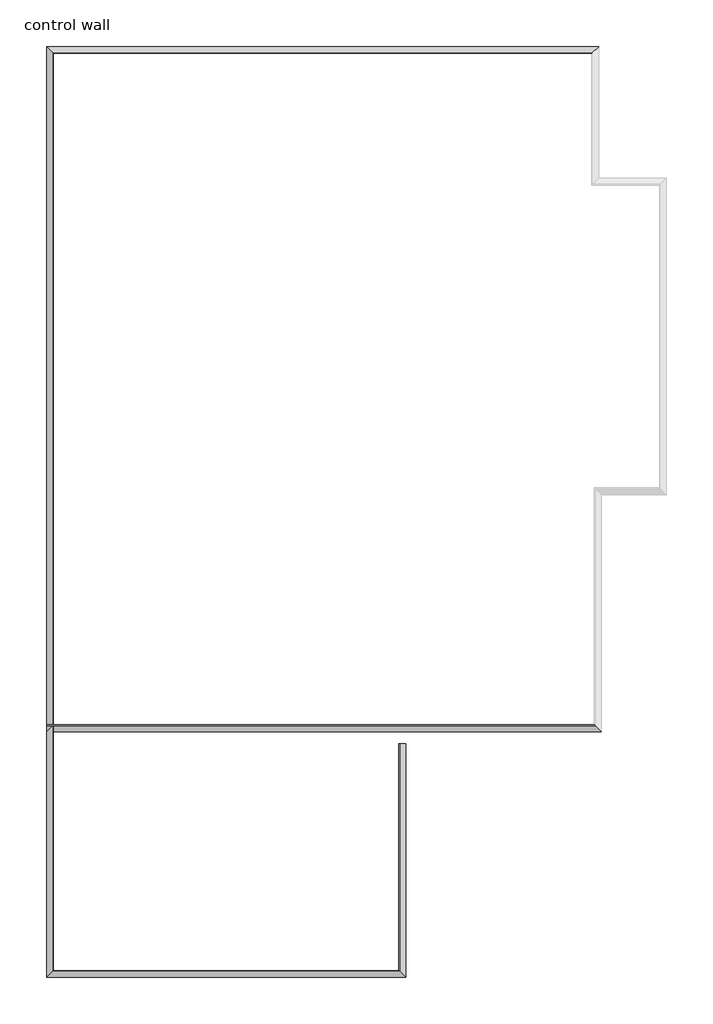
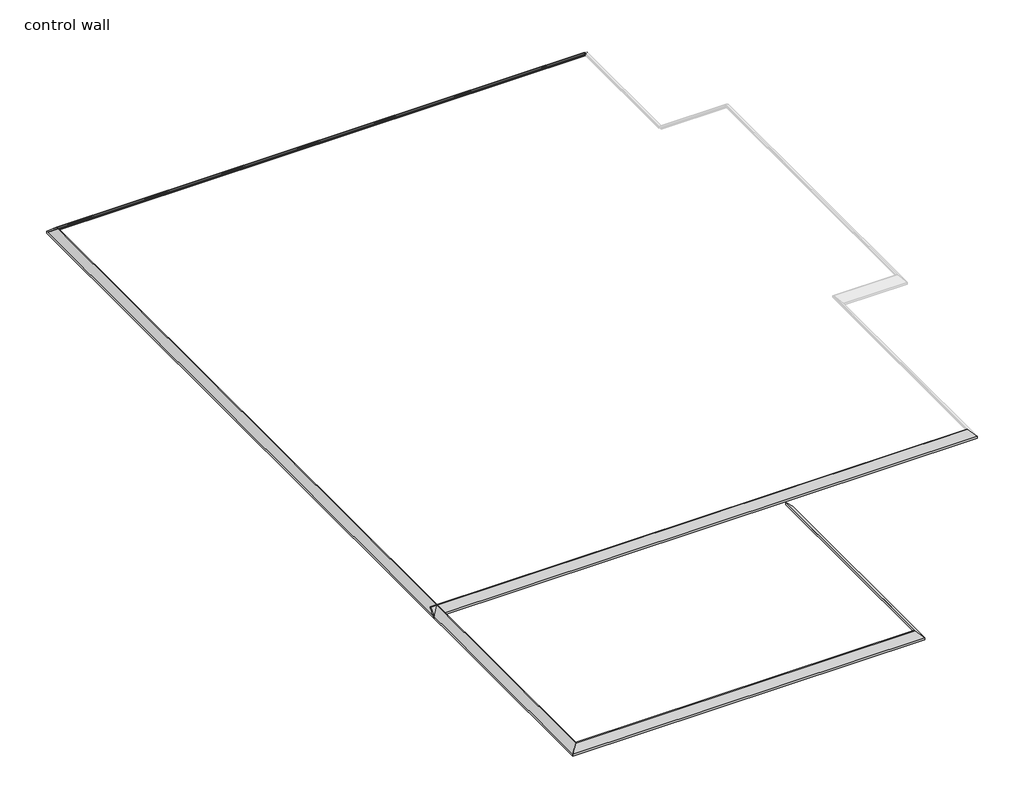
# One storey, part 1 of 2: 5 proxies.
"""IFC4 building model written with IfcOpenShell, lengths in millimetres."""

from ifc_helpers import new_model, si_unit, frame, origin, place, context, project, spatial, polyline, circle_curve, ellipse_curve, element, save
from ifc_brep_helpers import plane_surface, cylinder_surface, revolved_surface, advanced_brep

model = new_model("IFC4")

# Units and contexts
model_context = context("Model", 3, world=origin())
ifc_project = project(units=[si_unit("LENGTHUNIT", "METRE", prefix="MILLI")], contexts=[model_context])

# Site, building, storey
site = spatial("IfcSite", under=ifc_project)
building = spatial("IfcBuilding", under=site)
storey = spatial("IfcBuildingStorey", under=building, Name="control wall", Elevation=2133.6)

# Proxies
placement = place(None, origin())
element("IfcBuildingElementProxy", 1, Name="Wall Sweeps", at=placement, inside=storey, context=model_context, shape_type="AdvancedBrep", body=[
    advanced_brep(
    [(33339.4690304, -14600.4635365, 2982.9793892), (33274.4484196, -14665.4841473, 3048.0), (33266.3457216, -14673.5868453, 3048.0), (33266.3457216, -14673.5868453, 3028.95), (33275.9690304, -14663.9635365, 3028.95), (33296.4937103, -14643.4388566, 3008.4253202), (33317.0183901, -14622.9141768, 2987.9006403), (33317.0183901, -14622.9141768, 2981.5506403), (33330.4887743, -14609.4437926, 2968.0802561), (33330.4887743, -14609.4437926, 2959.1), (33339.4690304, -14600.4635365, 2959.1), (27522.8690304, -14600.4635365, 2982.9793892), (27522.8690304, -14600.4635365, 2959.1), (27531.8492865, -14609.4437926, 2959.1), (27531.8492865, -14609.4437926, 2968.0802561), (27545.3196707, -14622.9141768, 2981.5506403), (27545.3196707, -14622.9141768, 2987.9006403), (27565.8443506, -14643.4388566, 3008.4253202), (27586.3690304, -14663.9635365, 3028.95), (27595.9923392, -14673.5868453, 3028.95), (27595.9923392, -14673.5868453, 3048.0), (27587.8896412, -14665.4841473, 3048.0)],
    [
        (0, 1),
        (1, 2),
        (2, 3),
        (3, 4),
        (4, 5, ellipse_curve(frame((33275.9690304, -14663.9635365, 3008.4253202), z_axis=(-0.707106781186544, 0.7071067811865511, 0.0), x_axis=(-0.7071067811865508, -0.7071067811865441, 0.0)), 29.0262806, 20.5246798)),
        (5, 6, ellipse_curve(frame((33317.0183901, -14622.9141768, 3008.4253202), z_axis=(0.707106781186544, -0.7071067811865511, 0.0), x_axis=(0.7071067811865508, 0.7071067811865441, 0.0)), 29.0262806, 20.5246798)),
        (6, 7),
        (7, 8, ellipse_curve(frame((33317.0183901, -14622.9141768, 2968.0802561), z_axis=(-0.707106781186544, 0.7071067811865511, 0.0), x_axis=(-0.7071067811865508, -0.7071067811865441, 0.0)), 19.05, 13.4703842)),
        (8, 9),
        (9, 10),
        (10, 0),
        (11, 12),
        (12, 13),
        (13, 14),
        (14, 15, ellipse_curve(frame((27545.3196707, -14622.9141768, 2968.0802561), z_axis=(0.7071067811865547, 0.7071067811865405, 0.0), x_axis=(-0.7071067811865404, 0.7071067811865547, 0.0)), 19.05, 13.4703842)),
        (15, 16),
        (16, 17, ellipse_curve(frame((27545.3196707, -14622.9141768, 3008.4253202), z_axis=(-0.7071067811865547, -0.7071067811865405, 0.0), x_axis=(0.7071067811865404, -0.7071067811865547, 0.0)), 29.0262806, 20.5246798)),
        (17, 18, ellipse_curve(frame((27586.3690304, -14663.9635365, 3008.4253202), z_axis=(0.7071067811865547, 0.7071067811865405, 0.0), x_axis=(-0.7071067811865404, 0.7071067811865547, 0.0)), 29.0262806, 20.5246798)),
        (18, 19),
        (19, 20),
        (20, 21),
        (21, 11),
        (0, 11),
        (21, 1),
        (20, 2),
        (19, 3),
        (18, 4),
        (17, 5),
        (16, 6),
        (15, 7),
        (14, 8),
        (13, 9),
        (12, 10),
    ],
    [
        plane_surface(frame((33339.4690304, -14600.4635365, 2654.3), z_axis=(0.707106781186544, -0.7071067811865511, 0.0), x_axis=(-0.7071067811865511, -0.707106781186544, 0.0))),
        plane_surface(frame((27522.8690304, -14600.4635365, 2654.3), z_axis=(-0.7071067811865547, -0.7071067811865405, 0.0), x_axis=(0.7071067811865405, -0.7071067811865547, 0.0))),
        plane_surface(frame((33339.4690304, -14600.4635365, 2982.9793892), z_axis=(0.0, 0.707106781186547, 0.707106781186548), x_axis=(-1.0, 0.0, 0.0))),
        plane_surface(frame((33274.4484196, -14665.4841473, 3048.0), z_axis=(0.0, 0.0, 1.0), x_axis=(-1.0, 0.0, 0.0))),
        plane_surface(frame((33266.3457216, -14673.5868453, 3048.0), z_axis=(0.0, -1.0, 0.0), x_axis=(-1.0, 0.0, 0.0))),
        plane_surface(frame((33266.3457216, -14673.5868453, 3028.95), z_axis=(0.0, 0.0, -1.0), x_axis=(-1.0, 0.0, 0.0))),
        revolved_surface(polyline([(27565.84435055512, -14684.4882163, 3008.4253202), (33296.4937103, -14684.4882163, 3008.4253202)]), (33339.4690304, -14663.9635365, 3008.4253202), (-1.0, 0.0, 0.0)),
        cylinder_surface(frame((33339.4690304, -14622.9141768, 3008.4253202), z_axis=(1.0, 0.0, 0.0), x_axis=(0.0, -1.0, 0.0)), 20.5246798),
        plane_surface(frame((33317.0183901, -14622.9141768, 2987.9006403), z_axis=(0.0, -1.0, 0.0), x_axis=(-1.0, 0.0, 0.0))),
        revolved_surface(polyline([(27531.8492865, -14636.384561, 2968.0802561), (33330.4887743, -14636.384561, 2968.0802561)]), (33339.4690304, -14622.9141768, 2968.0802561), (-1.0, 0.0, 0.0)),
        plane_surface(frame((33330.4887743, -14609.4437926, 2968.0802561), z_axis=(0.0, -1.0, 0.0), x_axis=(-1.0, 0.0, 0.0))),
        plane_surface(frame((33330.4887743, -14609.4437926, 2959.1), z_axis=(0.0, 0.0, -1.0), x_axis=(-1.0, 0.0, 0.0))),
        plane_surface(frame((33339.4690304, -14600.4635365, 2959.1), z_axis=(0.0, 1.0, 0.0), x_axis=(-1.0, 0.0, 0.0))),
    ],
    [
        (0, [[1, 2, 3, 4, 5, 6, 7, 8, 9, 10, 11]]),
        (1, [[12, 13, 14, 15, 16, 17, 18, 19, 20, 21, 22]]),
        (2, [[-1, 23, -22, 24]]),
        (3, [[-2, -24, -21, 25]]),
        (4, [[-3, -25, -20, 26]]),
        (5, [[-4, -26, -19, 27]]),
        (6, [[-5, -27, -18, 28]]),
        (7, [[-6, -28, -17, 29]]),
        (8, [[-7, -29, -16, 30]]),
        (9, [[-8, -30, -15, 31]]),
        (10, [[-9, -31, -14, 32]]),
        (11, [[-10, -32, -13, 33]]),
        (12, [[-11, -33, -12, -23]]),
    ],
),
])
element("IfcBuildingElementProxy", 2, Name="Wall Sweeps", at=placement, inside=storey, context=model_context, shape_type="AdvancedBrep", body=[
    advanced_brep(
    [(27522.8690304, -14600.4635365, 2982.9793892), (27587.8896412, -14665.4841473, 3048.0), (27595.9923392, -14673.5868453, 3048.0), (27595.9923392, -14673.5868453, 3028.95), (27586.3690304, -14663.9635365, 3028.95), (27565.8443506, -14643.4388566, 3008.4253202), (27545.3196707, -14622.9141768, 2987.9006403), (27545.3196707, -14622.9141768, 2981.5506403), (27531.8492865, -14609.4437926, 2968.0802561), (27531.8492865, -14609.4437926, 2959.1), (27522.8690304, -14600.4635365, 2959.1), (27522.8690304, -24408.1341785, 2982.9793892), (27522.8690304, -24408.1341785, 2959.1), (27531.8492865, -24399.1539224, 2959.1), (27531.8492865, -24399.1539224, 2968.0802561), (27545.3196707, -24385.6835382, 2981.5506403), (27545.3196707, -24385.6835382, 2987.9006403), (27565.8443506, -24365.1588583, 3008.4253202), (27586.3690304, -24344.6341785, 3028.95), (27595.9923392, -24335.0108697, 3028.95), (27595.9923392, -24335.0108697, 3048.0), (27587.8896412, -24343.1135677, 3048.0)],
    [
        (0, 1),
        (1, 2),
        (2, 3),
        (3, 4),
        (4, 5, ellipse_curve(frame((27586.3690304, -14663.9635365, 3008.4253202), z_axis=(-0.7071067811865547, -0.7071067811865405, 0.0), x_axis=(0.7071067811865405, -0.7071067811865545, 0.0)), 29.0262806, 20.5246798)),
        (5, 6, ellipse_curve(frame((27545.3196707, -14622.9141768, 3008.4253202), z_axis=(0.7071067811865547, 0.7071067811865405, 0.0), x_axis=(-0.7071067811865405, 0.7071067811865545, 0.0)), 29.0262806, 20.5246798)),
        (6, 7),
        (7, 8, ellipse_curve(frame((27545.3196707, -14622.9141768, 2968.0802561), z_axis=(-0.7071067811865547, -0.7071067811865405, 0.0), x_axis=(0.7071067811865405, -0.7071067811865545, 0.0)), 19.05, 13.4703842)),
        (8, 9),
        (9, 10),
        (10, 0),
        (11, 12),
        (12, 13),
        (13, 14),
        (14, 15, ellipse_curve(frame((27545.3196707, -24385.6835382, 2968.0802561), z_axis=(-0.7071067811865405, 0.7071067811865547, 0.0), x_axis=(-0.7071067811865547, -0.7071067811865402, 0.0)), 19.05, 13.4703842)),
        (15, 16),
        (16, 17, ellipse_curve(frame((27545.3196707, -24385.6835382, 3008.4253202), z_axis=(0.7071067811865405, -0.7071067811865547, 0.0), x_axis=(0.7071067811865547, 0.7071067811865402, 0.0)), 29.0262806, 20.5246798)),
        (17, 18, ellipse_curve(frame((27586.3690304, -24344.6341785, 3008.4253202), z_axis=(-0.7071067811865405, 0.7071067811865547, 0.0), x_axis=(-0.7071067811865547, -0.7071067811865402, 0.0)), 29.0262806, 20.5246798)),
        (18, 19),
        (19, 20),
        (20, 21),
        (21, 11),
        (0, 11),
        (21, 1),
        (20, 2),
        (19, 3),
        (18, 4),
        (17, 5),
        (16, 6),
        (15, 7),
        (14, 8),
        (13, 9),
        (12, 10),
    ],
    [
        plane_surface(frame((27522.8690304, -14600.4635365, 2654.3), z_axis=(0.7071067811865547, 0.7071067811865405, 0.0), x_axis=(0.7071067811865405, -0.7071067811865547, 0.0))),
        plane_surface(frame((27522.8690304, -24408.1341785, 2654.3), z_axis=(0.7071067811865405, -0.7071067811865547, 0.0), x_axis=(0.7071067811865547, 0.7071067811865405, 0.0))),
        plane_surface(frame((27522.8690304, -14600.4635365, 2982.9793892), z_axis=(-0.707106781186547, 0.0, 0.707106781186548), x_axis=(0.0, -1.0, 0.0))),
        plane_surface(frame((27587.8896412, -14665.4841473, 3048.0), z_axis=(0.0, 0.0, 1.0), x_axis=(0.0, -1.0, 0.0))),
        plane_surface(frame((27595.9923392, -14673.5868453, 3048.0), z_axis=(1.0, 0.0, 0.0), x_axis=(0.0, -1.0, 0.0))),
        plane_surface(frame((27595.9923392, -14673.5868453, 3028.95), z_axis=(0.0, 0.0, -1.0), x_axis=(0.0, -1.0, 0.0))),
        revolved_surface(polyline([(27606.8937102, -24365.158858344883, 3008.4253202), (27606.8937102, -14643.4388566, 3008.4253202)]), (27586.3690304, -14600.4635365, 3008.4253202), (0.0, -1.0, 0.0)),
        cylinder_surface(frame((27545.3196707, -14600.4635365, 3008.4253202), z_axis=(0.0, 1.0, 0.0), x_axis=(1.0, 0.0, 0.0)), 20.5246798),
        plane_surface(frame((27545.3196707, -14622.9141768, 2987.9006403), z_axis=(1.0, 0.0, 0.0), x_axis=(0.0, -1.0, 0.0))),
        revolved_surface(polyline([(27558.7900549, -24399.1539224, 2968.0802561), (27558.7900549, -14609.4437926, 2968.0802561)]), (27545.3196707, -14600.4635365, 2968.0802561), (0.0, -1.0, 0.0)),
        plane_surface(frame((27531.8492865, -14609.4437926, 2968.0802561), z_axis=(1.0, 0.0, 0.0), x_axis=(0.0, -1.0, 0.0))),
        plane_surface(frame((27531.8492865, -14609.4437926, 2959.1), z_axis=(0.0, 0.0, -1.0), x_axis=(0.0, -1.0, 0.0))),
        plane_surface(frame((27522.8690304, -14600.4635365, 2959.1), z_axis=(-1.0, 0.0, 0.0), x_axis=(0.0, -1.0, 0.0))),
    ],
    [
        (0, [[1, 2, 3, 4, 5, 6, 7, 8, 9, 10, 11]]),
        (1, [[12, 13, 14, 15, 16, 17, 18, 19, 20, 21, 22]]),
        (2, [[-1, 23, -22, 24]]),
        (3, [[-2, -24, -21, 25]]),
        (4, [[-3, -25, -20, 26]]),
        (5, [[-4, -26, -19, 27]]),
        (6, [[-5, -27, -18, 28]]),
        (7, [[-6, -28, -17, 29]]),
        (8, [[-7, -29, -16, 30]]),
        (9, [[-8, -30, -15, 31]]),
        (10, [[-9, -31, -14, 32]]),
        (11, [[-10, -32, -13, 33]]),
        (12, [[-11, -33, -12, -23]]),
    ],
),
])
element("IfcBuildingElementProxy", 3, Name="Wall Sweeps", at=placement, inside=storey, context=model_context, shape_type="AdvancedBrep", body=[
    advanced_brep(
    [(27522.8690304, -24408.1341785, 2982.9793892), (27587.8896412, -24343.1135677, 3048.0), (27595.9923392, -24335.0108697, 3048.0), (27595.9923392, -24335.0108697, 3028.95), (27586.3690304, -24344.6341785, 3028.95), (27565.8443506, -24365.1588583, 3008.4253202), (27545.3196707, -24385.6835382, 2987.9006403), (27545.3196707, -24385.6835382, 2981.5506403), (27531.8492865, -24399.1539224, 2968.0802561), (27531.8492865, -24399.1539224, 2959.1), (27522.8690304, -24408.1341785, 2959.1), (31307.4690304, -24408.1341785, 2982.9793892), (31307.4690304, -24408.1341785, 2959.1), (31298.4887743, -24399.1539224, 2959.1), (31298.4887743, -24399.1539224, 2968.0802561), (31285.0183901, -24385.6835382, 2981.5506403), (31285.0183901, -24385.6835382, 2987.9006403), (31264.4937103, -24365.1588583, 3008.4253202), (31243.9690304, -24344.6341785, 3028.95), (31234.3457216, -24335.0108697, 3028.95), (31234.3457216, -24335.0108697, 3048.0), (31242.4484196, -24343.1135677, 3048.0)],
    [
        (0, 1),
        (1, 2),
        (2, 3),
        (3, 4),
        (4, 5, ellipse_curve(frame((27586.3690304, -24344.6341785, 3008.4253202), z_axis=(0.7071067811865405, -0.7071067811865547, 0.0), x_axis=(0.7071067811865545, 0.7071067811865405, 0.0)), 29.0262806, 20.5246798)),
        (5, 6, ellipse_curve(frame((27545.3196707, -24385.6835382, 3008.4253202), z_axis=(-0.7071067811865405, 0.7071067811865547, 0.0), x_axis=(-0.7071067811865545, -0.7071067811865405, 0.0)), 29.0262806, 20.5246798)),
        (6, 7),
        (7, 8, ellipse_curve(frame((27545.3196707, -24385.6835382, 2968.0802561), z_axis=(0.7071067811865405, -0.7071067811865547, 0.0), x_axis=(0.7071067811865545, 0.7071067811865405, 0.0)), 19.05, 13.4703842)),
        (8, 9),
        (9, 10),
        (10, 0),
        (11, 12),
        (12, 13),
        (13, 14),
        (14, 15, ellipse_curve(frame((31285.0183901, -24385.6835382, 2968.0802561), z_axis=(-0.7071067811865547, -0.7071067811865405, 0.0), x_axis=(0.7071067811865404, -0.7071067811865546, 0.0)), 19.05, 13.4703842)),
        (15, 16),
        (16, 17, ellipse_curve(frame((31285.0183901, -24385.6835382, 3008.4253202), z_axis=(0.7071067811865547, 0.7071067811865405, 0.0), x_axis=(-0.7071067811865404, 0.7071067811865546, 0.0)), 29.0262806, 20.5246798)),
        (17, 18, ellipse_curve(frame((31243.9690304, -24344.6341785, 3008.4253202), z_axis=(-0.7071067811865547, -0.7071067811865405, 0.0), x_axis=(0.7071067811865404, -0.7071067811865546, 0.0)), 29.0262806, 20.5246798)),
        (18, 19),
        (19, 20),
        (20, 21),
        (21, 11),
        (0, 11),
        (21, 1),
        (20, 2),
        (19, 3),
        (18, 4),
        (17, 5),
        (16, 6),
        (15, 7),
        (14, 8),
        (13, 9),
        (12, 10),
    ],
    [
        plane_surface(frame((27522.8690304, -24408.1341785, 2654.3), z_axis=(-0.7071067811865405, 0.7071067811865547, 0.0), x_axis=(0.7071067811865547, 0.7071067811865405, 0.0))),
        plane_surface(frame((31307.4690304, -24408.1341785, 2654.3), z_axis=(0.7071067811865547, 0.7071067811865405, 0.0), x_axis=(-0.7071067811865405, 0.7071067811865547, 0.0))),
        plane_surface(frame((27522.8690304, -24408.1341785, 2982.9793892), z_axis=(0.0, -0.707106781186547, 0.707106781186548), x_axis=(1.0, 0.0, 0.0))),
        plane_surface(frame((27587.8896412, -24343.1135677, 3048.0), z_axis=(0.0, 0.0, 1.0), x_axis=(1.0, 0.0, 0.0))),
        plane_surface(frame((27595.9923392, -24335.0108697, 3048.0), z_axis=(0.0, 1.0, 0.0), x_axis=(1.0, 0.0, 0.0))),
        plane_surface(frame((27595.9923392, -24335.0108697, 3028.95), z_axis=(0.0, 0.0, -1.0), x_axis=(1.0, 0.0, 0.0))),
        revolved_surface(polyline([(31264.4937103, -24324.1094987, 3008.4253202), (27565.84435055512, -24324.1094987, 3008.4253202)]), (27522.8690304, -24344.6341785, 3008.4253202), (1.0, 0.0, 0.0)),
        cylinder_surface(frame((27522.8690304, -24385.6835382, 3008.4253202), z_axis=(-1.0, 0.0, 0.0), x_axis=(0.0, 1.0, 0.0)), 20.5246798),
        plane_surface(frame((27545.3196707, -24385.6835382, 2987.9006403), z_axis=(0.0, 1.0, 0.0), x_axis=(1.0, 0.0, 0.0))),
        revolved_surface(polyline([(31298.4887743, -24372.213153999997, 2968.0802561), (27531.8492865, -24372.213153999997, 2968.0802561)]), (27522.8690304, -24385.6835382, 2968.0802561), (1.0, 0.0, 0.0)),
        plane_surface(frame((27531.8492865, -24399.1539224, 2968.0802561), z_axis=(0.0, 1.0, 0.0), x_axis=(1.0, 0.0, 0.0))),
        plane_surface(frame((27531.8492865, -24399.1539224, 2959.1), z_axis=(0.0, 0.0, -1.0), x_axis=(1.0, 0.0, 0.0))),
        plane_surface(frame((27522.8690304, -24408.1341785, 2959.1), z_axis=(0.0, -1.0, 0.0), x_axis=(1.0, 0.0, 0.0))),
    ],
    [
        (0, [[1, 2, 3, 4, 5, 6, 7, 8, 9, 10, 11]]),
        (1, [[12, 13, 14, 15, 16, 17, 18, 19, 20, 21, 22]]),
        (2, [[-1, 23, -22, 24]]),
        (3, [[-2, -24, -21, 25]]),
        (4, [[-3, -25, -20, 26]]),
        (5, [[-4, -26, -19, 27]]),
        (6, [[-5, -27, -18, 28]]),
        (7, [[-6, -28, -17, 29]]),
        (8, [[-7, -29, -16, 30]]),
        (9, [[-8, -30, -15, 31]]),
        (10, [[-9, -31, -14, 32]]),
        (11, [[-10, -32, -13, 33]]),
        (12, [[-11, -33, -12, -23]]),
    ],
),
])
element("IfcBuildingElementProxy", 4, Name="Wall Sweeps", at=placement, inside=storey, context=model_context, shape_type="AdvancedBrep", body=[
    advanced_brep(
    [(31307.4690304, -24408.1341785, 2982.9793892), (31242.4484196, -24343.1135677, 3048.0), (31234.3457216, -24335.0108697, 3048.0), (31234.3457216, -24335.0108697, 3028.95), (31243.9690304, -24344.6341785, 3028.95), (31264.4937103, -24365.1588583, 3008.4253202), (31285.0183901, -24385.6835382, 2987.9006403), (31285.0183901, -24385.6835382, 2981.5506403), (31298.4887743, -24399.1539224, 2968.0802561), (31298.4887743, -24399.1539224, 2959.1), (31307.4690304, -24408.1341785, 2959.1), (31307.4690304, -21944.3341785, 2982.9793892), (31307.4690304, -21944.3341785, 2959.1), (31298.4887743, -21944.3341785, 2959.1), (31298.4887743, -21944.3341785, 2968.0802561), (31285.0183901, -21944.3341785, 2981.5506403), (31285.0183901, -21944.3341785, 2987.9006403), (31264.4937103, -21944.3341785, 3008.4253202), (31243.9690304, -21944.3341785, 3028.95), (31234.3457216, -21944.3341785, 3028.95), (31234.3457216, -21944.3341785, 3048.0), (31242.4484196, -21944.3341785, 3048.0)],
    [
        (0, 1),
        (1, 2),
        (2, 3),
        (3, 4),
        (4, 5, ellipse_curve(frame((31243.9690304, -24344.6341785, 3008.4253202), z_axis=(0.7071067811865547, 0.7071067811865405, 0.0), x_axis=(-0.7071067811865405, 0.7071067811865543, 0.0)), 29.0262806, 20.5246798)),
        (5, 6, ellipse_curve(frame((31285.0183901, -24385.6835382, 3008.4253202), z_axis=(-0.7071067811865547, -0.7071067811865405, 0.0), x_axis=(0.7071067811865405, -0.7071067811865543, 0.0)), 29.0262806, 20.5246798)),
        (6, 7),
        (7, 8, ellipse_curve(frame((31285.0183901, -24385.6835382, 2968.0802561), z_axis=(0.7071067811865547, 0.7071067811865405, 0.0), x_axis=(-0.7071067811865405, 0.7071067811865543, 0.0)), 19.05, 13.4703842)),
        (8, 9),
        (9, 10),
        (10, 0),
        (11, 12),
        (12, 13),
        (13, 14),
        (14, 15, circle_curve(frame((31285.0183901, -21944.3341785, 2968.0802561), z_axis=(0.0, -1.0, 0.0), x_axis=(-1.0, 0.0, 0.0)), 13.4703842)),
        (15, 16),
        (16, 17, circle_curve(frame((31285.0183901, -21944.3341785, 3008.4253202), z_axis=(0.0, 1.0, 0.0), x_axis=(-1.0, 0.0, 0.0)), 20.5246798)),
        (17, 18, circle_curve(frame((31243.9690304, -21944.3341785, 3008.4253202), z_axis=(0.0, -1.0, 0.0), x_axis=(-1.0, 0.0, 0.0)), 20.5246798)),
        (18, 19),
        (19, 20),
        (20, 21),
        (21, 11),
        (0, 11),
        (21, 1),
        (20, 2),
        (19, 3),
        (18, 4),
        (17, 5),
        (16, 6),
        (15, 7),
        (14, 8),
        (13, 9),
        (12, 10),
    ],
    [
        plane_surface(frame((31307.4690304, -24408.1341785, 2654.3), z_axis=(-0.7071067811865547, -0.7071067811865405, 0.0), x_axis=(-0.7071067811865405, 0.7071067811865547, 0.0))),
        plane_surface(frame((31192.3593945, -21944.3341785, 2959.1), z_axis=(0.0, 1.0, 0.0), x_axis=(0.0, 0.0, 1.0))),
        plane_surface(frame((31307.4690304, -24408.1341785, 2982.9793892), z_axis=(0.707106781186547, 0.0, 0.707106781186548), x_axis=(0.0, 1.0, 0.0))),
        plane_surface(frame((31242.4484196, -24343.1135677, 3048.0), z_axis=(0.0, 0.0, 1.0), x_axis=(0.0, 1.0, 0.0))),
        plane_surface(frame((31234.3457216, -24335.0108697, 3048.0), z_axis=(-1.0, 0.0, 0.0), x_axis=(0.0, 1.0, 0.0))),
        plane_surface(frame((31234.3457216, -24335.0108697, 3028.95), z_axis=(0.0, 0.0, -1.0), x_axis=(0.0, 1.0, 0.0))),
        revolved_surface(polyline([(31223.4443506, -21944.3341785, 3008.4253202), (31223.4443506, -24365.158858344883, 3008.4253202)]), (31243.9690304, -24408.1341785, 3008.4253202), (0.0, 1.0, 0.0)),
        cylinder_surface(frame((31285.0183901, -24408.1341785, 3008.4253202), z_axis=(0.0, -1.0, 0.0), x_axis=(-1.0, 0.0, 0.0)), 20.5246798),
        plane_surface(frame((31285.0183901, -24385.6835382, 2987.9006403), z_axis=(-1.0, 0.0, 0.0), x_axis=(0.0, 1.0, 0.0))),
        revolved_surface(polyline([(31271.548005899996, -21944.3341785, 2968.0802561), (31271.548005899996, -24399.1539224, 2968.0802561)]), (31285.0183901, -24408.1341785, 2968.0802561), (0.0, 1.0, 0.0)),
        plane_surface(frame((31298.4887743, -24399.1539224, 2968.0802561), z_axis=(-1.0, 0.0, 0.0), x_axis=(0.0, 1.0, 0.0))),
        plane_surface(frame((31298.4887743, -24399.1539224, 2959.1), z_axis=(0.0, 0.0, -1.0), x_axis=(0.0, 1.0, 0.0))),
        plane_surface(frame((31307.4690304, -24408.1341785, 2959.1), z_axis=(1.0, 0.0, 0.0), x_axis=(0.0, 1.0, 0.0))),
    ],
    [
        (0, [[1, 2, 3, 4, 5, 6, 7, 8, 9, 10, 11]]),
        (1, [[12, 13, 14, 15, 16, 17, 18, 19, 20, 21, 22]]),
        (2, [[-1, 23, -22, 24]]),
        (3, [[-2, -24, -21, 25]]),
        (4, [[-3, -25, -20, 26]]),
        (5, [[-4, -26, -19, 27]]),
        (6, [[-5, -27, -18, 28]]),
        (7, [[-6, -28, -17, 29]]),
        (8, [[-7, -29, -16, 30]]),
        (9, [[-8, -30, -15, 31]]),
        (10, [[-9, -31, -14, 32]]),
        (11, [[-10, -32, -13, 33]]),
        (12, [[-11, -33, -12, -23]]),
    ],
),
])
element("IfcBuildingElementProxy", 5, Name="Wall Sweeps", at=placement, inside=storey, context=model_context, shape_type="AdvancedBrep", body=[
    advanced_brep(
    [(27522.8690304, -21820.5091785, 2982.9793892), (27522.8690304, -21755.4885677, 3048.0), (27522.8690304, -21747.3858697, 3048.0), (27522.8690304, -21747.3858697, 3028.95), (27522.8690304, -21757.0091785, 3028.95), (27522.8690304, -21777.5338583, 3008.4253202), (27522.8690304, -21798.0585382, 2987.9006403), (27522.8690304, -21798.0585382, 2981.5506403), (27522.8690304, -21811.5289224, 2968.0802561), (27522.8690304, -21811.5289224, 2959.1), (27522.8690304, -21820.5091785, 2959.1), (33368.0440304, -21820.5091785, 2982.9793892), (33368.0440304, -21820.5091785, 2959.1), (33359.0637743, -21811.5289224, 2959.1), (33359.0637743, -21811.5289224, 2968.0802561), (33345.5933901, -21798.0585382, 2981.5506403), (33345.5933901, -21798.0585382, 2987.9006403), (33325.0687103, -21777.5338583, 3008.4253202), (33304.5440304, -21757.0091785, 3028.95), (33294.9207216, -21747.3858697, 3028.95), (33294.9207216, -21747.3858697, 3048.0), (33303.0234196, -21755.4885677, 3048.0)],
    [
        (0, 1),
        (1, 2),
        (2, 3),
        (3, 4),
        (4, 5, circle_curve(frame((27522.8690304, -21757.0091785, 3008.4253202), z_axis=(1.0, 0.0, 0.0), x_axis=(0.0, 1.0, 0.0)), 20.5246798)),
        (5, 6, circle_curve(frame((27522.8690304, -21798.0585382, 3008.4253202), z_axis=(-1.0, 0.0, 0.0), x_axis=(0.0, 1.0, 0.0)), 20.5246798)),
        (6, 7),
        (7, 8, circle_curve(frame((27522.8690304, -21798.0585382, 2968.0802561), z_axis=(1.0, 0.0, 0.0), x_axis=(0.0, 1.0, 0.0)), 13.4703842)),
        (8, 9),
        (9, 10),
        (10, 0),
        (11, 12),
        (12, 13),
        (13, 14),
        (14, 15, ellipse_curve(frame((33345.5933901, -21798.0585382, 2968.0802561), z_axis=(-0.7071067811865547, -0.7071067811865405, 0.0), x_axis=(0.7071067811865402, -0.7071067811865548, 0.0)), 19.05, 13.4703842)),
        (15, 16),
        (16, 17, ellipse_curve(frame((33345.5933901, -21798.0585382, 3008.4253202), z_axis=(0.7071067811865547, 0.7071067811865405, 0.0), x_axis=(-0.7071067811865402, 0.7071067811865548, 0.0)), 29.0262806, 20.5246798)),
        (17, 18, ellipse_curve(frame((33304.5440304, -21757.0091785, 3008.4253202), z_axis=(-0.7071067811865547, -0.7071067811865405, 0.0), x_axis=(0.7071067811865402, -0.7071067811865548, 0.0)), 29.0262806, 20.5246798)),
        (18, 19),
        (19, 20),
        (20, 21),
        (21, 11),
        (0, 11),
        (21, 1),
        (20, 2),
        (19, 3),
        (18, 4),
        (17, 5),
        (16, 6),
        (15, 7),
        (14, 8),
        (13, 9),
        (12, 10),
    ],
    [
        plane_surface(frame((27522.8690304, -21820.5091785, 2843.990364), z_axis=(-1.0, 0.0, 0.0), x_axis=(0.0, 1.0, 0.0))),
        plane_surface(frame((33368.0440304, -21820.5091785, 2654.3), z_axis=(0.7071067811865547, 0.7071067811865405, 0.0), x_axis=(-0.7071067811865405, 0.7071067811865547, 0.0))),
        plane_surface(frame((27522.8690304, -21820.5091785, 2982.9793892), z_axis=(0.0, -0.707106781186547, 0.707106781186548), x_axis=(1.0, 0.0, 0.0))),
        plane_surface(frame((27522.8690304, -21755.4885677, 3048.0), z_axis=(0.0, 0.0, 1.0), x_axis=(1.0, 0.0, 0.0))),
        plane_surface(frame((27522.8690304, -21747.3858697, 3048.0), z_axis=(0.0, 1.0, 0.0), x_axis=(1.0, 0.0, 0.0))),
        plane_surface(frame((27522.8690304, -21747.3858697, 3028.95), z_axis=(0.0, 0.0, -1.0), x_axis=(1.0, 0.0, 0.0))),
        revolved_surface(polyline([(33325.0687103, -21736.4844987, 3008.4253202), (27522.8690304, -21736.4844987, 3008.4253202)]), (27522.8690304, -21757.0091785, 3008.4253202), (1.0, 0.0, 0.0)),
        cylinder_surface(frame((27522.8690304, -21798.0585382, 3008.4253202), z_axis=(-1.0, 0.0, 0.0), x_axis=(0.0, 1.0, 0.0)), 20.5246798),
        plane_surface(frame((27522.8690304, -21798.0585382, 2987.9006403), z_axis=(0.0, 1.0, 0.0), x_axis=(1.0, 0.0, 0.0))),
        revolved_surface(polyline([(33359.0637743, -21784.588153999997, 2968.0802561), (27522.8690304, -21784.588153999997, 2968.0802561)]), (27522.8690304, -21798.0585382, 2968.0802561), (1.0, 0.0, 0.0)),
        plane_surface(frame((27522.8690304, -21811.5289224, 2968.0802561), z_axis=(0.0, 1.0, 0.0), x_axis=(1.0, 0.0, 0.0))),
        plane_surface(frame((27522.8690304, -21811.5289224, 2959.1), z_axis=(0.0, 0.0, -1.0), x_axis=(1.0, 0.0, 0.0))),
        plane_surface(frame((27522.8690304, -21820.5091785, 2959.1), z_axis=(0.0, -1.0, 0.0), x_axis=(1.0, 0.0, 0.0))),
    ],
    [
        (0, [[1, 2, 3, 4, 5, 6, 7, 8, 9, 10, 11]]),
        (1, [[12, 13, 14, 15, 16, 17, 18, 19, 20, 21, 22]]),
        (2, [[-1, 23, -22, 24]]),
        (3, [[-2, -24, -21, 25]]),
        (4, [[-3, -25, -20, 26]]),
        (5, [[-4, -26, -19, 27]]),
        (6, [[-5, -27, -18, 28]]),
        (7, [[-6, -28, -17, 29]]),
        (8, [[-7, -29, -16, 30]]),
        (9, [[-8, -30, -15, 31]]),
        (10, [[-9, -31, -14, 32]]),
        (11, [[-10, -32, -13, 33]]),
        (12, [[-11, -33, -12, -23]]),
    ],
),
])

save(model, "model.ifc")
